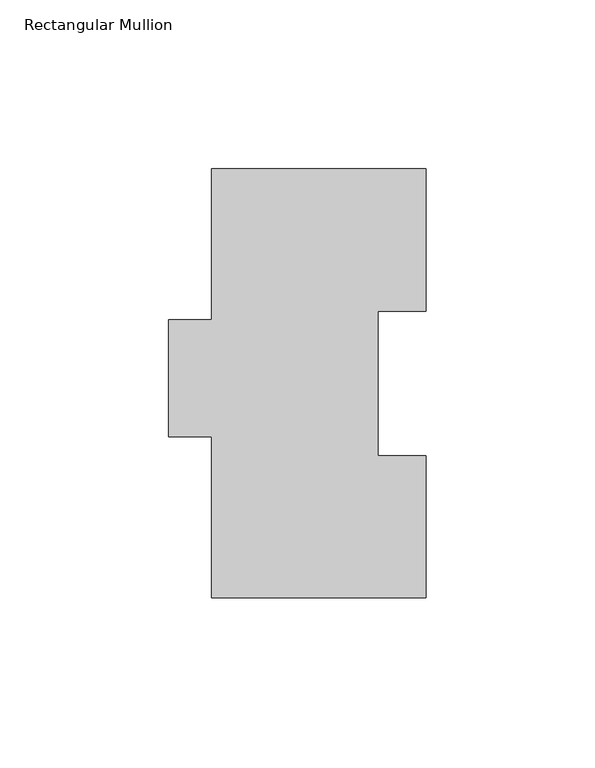
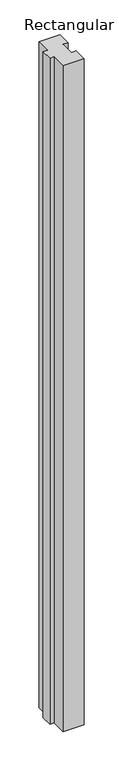
"""IFC4 building model written with IfcOpenShell, lengths in millimetres: member geometry, Rectangular Mullion."""

from ifc_helpers import new_model, si_unit, frame, origin, place, context, project, spatial, polyline, outline, extrude, source, transform, mapped, element, save


def rectangular_mullion_4e7d3467(model_context):
    return source(origin(), model_context, "Body", "SweptSolid", [
        extrude(outline(polyline([(-31.75, 127.00635), (31.7502713, 127.00635), (31.7502713, 84.93125), (17.4622287, 84.93125), (17.4622287, 42.08145), (31.7497287, 42.08145), (31.7497287, 0.00635), (-31.75, 0.00635), (-31.75, 47.63135), (-44.45, 47.63135), (-44.45, 82.30235), (-31.75, 82.30235), (-31.75, 127.00635)])), frame((0.0, 0.0, -2133.6), z_axis=(0.0, 0.0, 1.0), x_axis=(1.0, 0.0, 0.0)), (0.0, 0.0, 1.0), 2133.6),
    ])


if __name__ == "__main__":
    model = new_model("IFC4")
    model_context = context("Model", 3, world=origin())
    ifc_project = project(units=[si_unit("LENGTHUNIT", "METRE", prefix="MILLI")], contexts=[model_context])
    site = spatial("IfcSite", under=ifc_project)
    building = spatial("IfcBuilding", under=site)
    placement = place(None, origin())
    rectangular_mullion_shape = rectangular_mullion_4e7d3467(model_context)
    element("IfcMember", 1, ObjectType="Rectangular Mullion", at=placement, inside=building, context=model_context, shape_type="MappedRepresentation", body=[
        mapped(rectangular_mullion_shape, transform((0.0, 0.0, 0.0), x_axis=(1.0, 0.0, 0.0), y_axis=(0.0, 1.0, 0.0), z_axis=(0.0, 0.0, 1.0))),
    ])
    save(model, "model.ifc")
